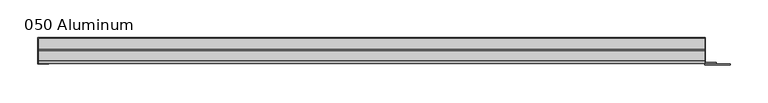
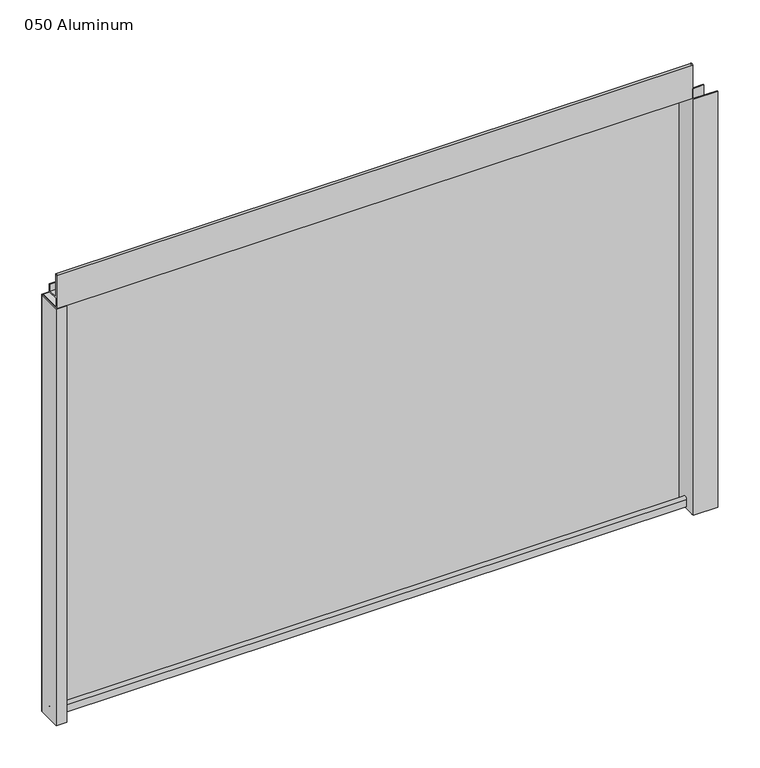
"""IFC4 building model written with IfcOpenShell, lengths in millimetres: plate geometry, 050 Aluminum."""

from ifc_helpers import new_model, si_unit, point, frame, frame_2d, origin, origin_with_axes, place, context, project, spatial, polyline, circle_curve, trimmed, segment, composite_curve, outline, extrude, source, transform, mapped, element, save


def plate_050_aluminum_edd297b3(model_context):
    return source(origin(), model_context, "Body", "SweptSolid", [
        extrude(outline(polyline([(-445.6224921, 2.5660257), (-432.7319916, 2.5660257), (-432.7319916, 1.2699999), (-446.8924921, 1.2699999), (-446.8924921, 34.7980001), (-445.6224921, 34.7980001), (-445.6224921, 2.5660257)])), origin_with_axes(), (0.0, 0.0, 1.0), 608.33),
        extrude(outline(composite_curve([segment(trimmed(circle_curve(frame_2d((19.8514743, 13.124237)), 3.175), [point((16.6765477, 13.1458337))], [point((23.0264743, 13.124237))], False, "CARTESIAN"), True, "CONTINUOUS"), segment(polyline([(23.0264743, 13.124237), (23.0264743, 1.2693678), (34.7980002, 1.2693678), (34.7980002, 0.0), (21.7564743, 0.0), (21.7564743, 13.124237)]), True, "CONTINUOUS"), segment(trimmed(circle_curve(frame_2d((19.8514743, 13.124237)), 1.905), [point((21.7564743, 13.124237))], [point((17.9464915, 13.1323356))], True, "CARTESIAN"), True, "CONTINUOUS"), segment(polyline([(17.9464915, 13.1323356), (17.9464915, 2.786437), (16.6765477, 2.786437), (16.6765477, 13.1458337)]), True, "CONTINUOUS")], self_intersect=False)), frame((-445.6224921, 0.0, 0.0), z_axis=(1.0, 0.0, 0.0), x_axis=(0.0, 1.0, 0.0)), (0.0, 0.0, 1.0), 878.5449843),
        extrude(outline(composite_curve([segment(trimmed(circle_curve(frame_2d((3.7084742, 656.7932001)), 1.6509999), [point((2.0574743, 656.7932001))], [point((5.3594742, 656.7932001))], False, "CARTESIAN"), True, "CONTINUOUS"), segment(polyline([(5.3594742, 656.7932001), (5.3594742, 623.57), (19.2164743, 623.57), (19.2164743, 633.6538), (20.4864742, 633.6538), (20.4864742, 622.3), (4.0894742, 622.3), (4.0894742, 656.7932001)]), True, "CONTINUOUS"), segment(trimmed(circle_curve(frame_2d((3.7084742, 656.7932001)), 0.3809999), [point((4.0894742, 656.7932001))], [point((3.3274743, 656.7932001))], True, "CARTESIAN"), True, "CONTINUOUS"), segment(polyline([(3.3274743, 656.7932001), (3.3274743, 609.6000001), (34.7980002, 609.6000001), (34.7980002, 608.33), (2.0574743, 608.33), (2.0574743, 656.7932001)]), True, "CONTINUOUS")], self_intersect=False)), frame((-445.6224921, 0.0, 0.0), z_axis=(1.0, 0.0, 0.0), x_axis=(0.0, 1.0, 0.0)), (0.0, 0.0, 1.0), 878.5449843),
        extrude(outline(polyline([(-446.8924921, 36.068), (434.1924921, 36.068), (434.1924921, 34.7980001), (-446.8924921, 34.7980001), (-446.8924921, 36.068)])), origin_with_axes(), (0.0, 0.0, 1.0), 609.6),
        extrude(outline(polyline([(434.1924921, 1.2699999), (466.7045778, 1.2699999), (466.7045778, 0.0), (432.9224922, 0.0), (432.9224922, 34.7980002), (434.1924921, 34.7980002), (434.1924921, 1.2699999)])), origin_with_axes(), (0.0, 0.0, 1.0), 608.33),
        extrude(outline(polyline([(432.9224921, 3.3274743), (448.6704921, 3.3274743), (448.6704921, 2.0574743), (432.9224921, 2.0574743), (432.9224921, 3.3274743)])), origin_with_axes(), (0.0, 0.0, 1.0), 622.3),
    ])


if __name__ == "__main__":
    model = new_model("IFC4")
    model_context = context("Model", 3, world=origin())
    ifc_project = project(units=[si_unit("LENGTHUNIT", "METRE", prefix="MILLI")], contexts=[model_context])
    site = spatial("IfcSite", under=ifc_project)
    building = spatial("IfcBuilding", under=site)
    placement = place(None, origin())
    plate_050_aluminum_shape = plate_050_aluminum_edd297b3(model_context)
    element("IfcPlate", 1, ObjectType="050 Aluminum", at=placement, inside=building, context=model_context, shape_type="MappedRepresentation", body=[
        mapped(plate_050_aluminum_shape, transform((0.0, 0.0, 0.0), x_axis=(1.0, 0.0, 0.0), y_axis=(0.0, 1.0, 0.0), z_axis=(0.0, 0.0, 1.0))),
    ])
    save(model, "model.ifc")
